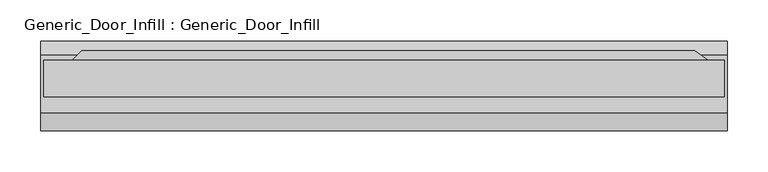
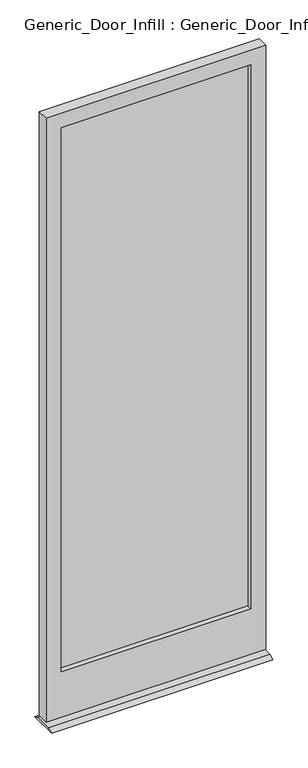
"""IFC4 building model written with IfcOpenShell, lengths in millimetres: plate geometry, Generic_Door_Infill : Generic_Door_Infill."""

from ifc_helpers import new_model, si_unit, frame, origin, place, context, project, spatial, polyline, outline, extrude, source, transform, mapped, element, save


def generic_door_infill_generic_door_infill_79aeffd5(model_context):
    return source(origin(), model_context, "Body", "SweptSolid", [
        extrude(outline(polyline([(-369.3894878, 35.8230014), (379.8567123, 35.8230014), (405.5069821, 17.8624892), (-387.35, 17.8624892), (-369.3894878, 35.8230014)])), frame((0.0, 0.0, 1090.3849987), z_axis=(0.0, 0.0, 1.0), x_axis=(1.0, 0.0, 0.0)), (0.0, 0.0, 1.0), 78.0150013),
        extrude(outline(polyline([(-358.775, -1.1875108), (-358.775, 5.1624892), (358.775, 5.1624892), (358.775, -1.1875108), (-358.775, -1.1875108)])), frame((0.0, 0.0, 200.025), z_axis=(0.0, 0.0, 1.0), x_axis=(1.0, 0.0, 0.0)), (0.0, 0.0, 1.0), 2178.0697094),
        extrude(outline(polyline([(2435.2447094, 415.925), (2435.2447094, -415.925), (17.4625, -415.925), (17.4625, 415.925), (2435.2447094, 415.925)]), holes=[polyline([(2378.0947094, 358.775), (200.025, 358.775), (200.025, -358.775), (2378.0947094, -358.775), (2378.0947094, 358.775)])]), frame((0.0, -20.2375108, 0.0), z_axis=(0.0, 1.0, 0.0), x_axis=(0.0, 0.0, 1.0)), (0.0, 0.0, 1.0), 44.45),
        extrude(outline(polyline([(30.5624892, 8.0508779), (47.8276525, 0.0), (-61.407116, 0.0), (-39.2875108, 8.0508779), (30.5624892, 8.0508779)])), frame((-419.1, 0.0, 0.0), z_axis=(1.0, 0.0, 0.0), x_axis=(0.0, 1.0, 0.0)), (0.0, 0.0, 1.0), 838.2),
    ])


if __name__ == "__main__":
    model = new_model("IFC4")
    model_context = context("Model", 3, world=origin())
    ifc_project = project(units=[si_unit("LENGTHUNIT", "METRE", prefix="MILLI")], contexts=[model_context])
    site = spatial("IfcSite", under=ifc_project)
    building = spatial("IfcBuilding", under=site)
    placement = place(None, origin())
    generic_door_infill_generic_door_infill_shape = generic_door_infill_generic_door_infill_79aeffd5(model_context)
    element("IfcPlate", 1, ObjectType="Generic_Door_Infill : Generic_Door_Infill", at=placement, inside=building, context=model_context, shape_type="MappedRepresentation", body=[
        mapped(generic_door_infill_generic_door_infill_shape, transform((0.0, 0.0, 0.0), x_axis=(1.0, 0.0, 0.0), y_axis=(0.0, 1.0, 0.0), z_axis=(0.0, 0.0, 1.0))),
    ])
    save(model, "model.ifc")
